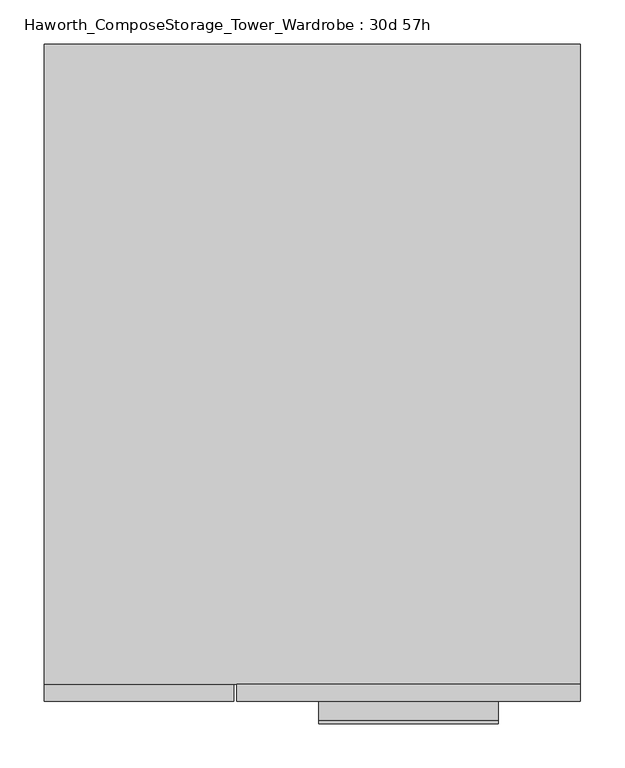
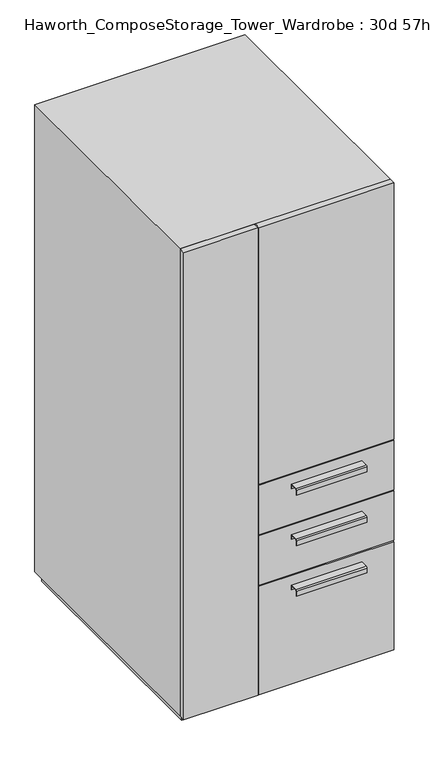
"""IFC4 building model written with IfcOpenShell, lengths in millimetres: furniture geometry, Haworth_ComposeStorage_Tower_Wardrobe : 30d 57h."""

from ifc_helpers import new_model, si_unit, point, frame, frame_2d, origin, origin_with_axes, place, context, project, spatial, polyline, circle_curve, trimmed, segment, composite_curve, outline, extrude, faceted_brep, source, transform, mapped, element, save


def haworth_composestorage_tower_wardrobe_30d_57h_c6e63538(model_context):
    return source(origin(), model_context, "Body", "SolidModel", [
        extrude(outline(composite_curve([segment(polyline([(-403.2250242, 633.9919215), (-381.0, 633.9919215), (-381.0, 620.5299525), (-381.7937742, 620.5299525), (-381.7937742, 633.1982199), (-403.2250242, 633.1982199)]), True, "CONTINUOUS"), segment(trimmed(circle_curve(frame_2d((-403.2250242, 630.8142808)), 2.3839392), [point((-403.2250242, 633.1982199))], [point((-405.6089634, 630.8142808))], True, "CARTESIAN"), True, "CONTINUOUS"), segment(polyline([(-405.6089634, 630.8142808), (-405.6089634, 616.2119021), (-406.3999758, 616.2119021), (-406.3999758, 630.8169699)]), True, "CONTINUOUS"), segment(trimmed(circle_curve(frame_2d((-403.2250242, 630.8169699)), 3.1749516), [point((-406.3999758, 630.8169699))], [point((-403.2250242, 633.9919215))], False, "CARTESIAN"), True, "CONTINUOUS")], self_intersect=False)), frame((7.1576406, 0.0, 0.0), z_axis=(1.0, 0.0, 0.0), x_axis=(0.0, 1.0, 0.0)), (0.0, 0.0, 1.0), 203.2),
        extrude(outline(polyline([(303.2263906, -361.95), (303.2263906, -381.0), (-85.7111094, -381.0), (-85.7111094, -361.95), (303.2263906, -361.95)])), frame((0.0, 0.0, 512.7625), z_axis=(0.0, 0.0, 1.0), x_axis=(1.0, 0.0, 0.0)), (0.0, 0.0, 1.0), 150.8125),
        extrude(outline(composite_curve([segment(polyline([(-403.2250242, 480.0044215), (-381.0, 480.0044215), (-381.0, 466.5424525), (-381.7937742, 466.5424525), (-381.7937742, 479.2107199), (-403.2250242, 479.2107199)]), True, "CONTINUOUS"), segment(trimmed(circle_curve(frame_2d((-403.2250242, 476.8267808)), 2.3839392), [point((-403.2250242, 479.2107199))], [point((-405.6089634, 476.8267808))], True, "CARTESIAN"), True, "CONTINUOUS"), segment(polyline([(-405.6089634, 476.8267808), (-405.6089634, 462.2244021), (-406.3999758, 462.2244021), (-406.3999758, 476.8294699)]), True, "CONTINUOUS"), segment(trimmed(circle_curve(frame_2d((-403.2250242, 476.8294699)), 3.1749516), [point((-406.3999758, 476.8294699))], [point((-403.2250242, 480.0044215))], False, "CARTESIAN"), True, "CONTINUOUS")], self_intersect=False)), frame((7.1576406, 0.0, 0.0), z_axis=(1.0, 0.0, 0.0), x_axis=(0.0, 1.0, 0.0)), (0.0, 0.0, 1.0), 203.2),
        extrude(outline(polyline([(303.2263906, -361.95), (303.2263906, -381.0), (-85.7111094, -381.0), (-85.7111094, -361.95), (303.2263906, -361.95)])), frame((0.0, 0.0, 358.775), z_axis=(0.0, 0.0, 1.0), x_axis=(1.0, 0.0, 0.0)), (0.0, 0.0, 1.0), 150.8125),
        extrude(outline(composite_curve([segment(polyline([(-403.2250242, 326.0169215), (-381.0, 326.0169215), (-381.0, 312.5549525), (-381.7937742, 312.5549525), (-381.7937742, 325.2232199), (-403.2250242, 325.2232199)]), True, "CONTINUOUS"), segment(trimmed(circle_curve(frame_2d((-403.2250242, 322.8392808)), 2.3839392), [point((-403.2250242, 325.2232199))], [point((-405.6089634, 322.8392808))], True, "CARTESIAN"), True, "CONTINUOUS"), segment(polyline([(-405.6089634, 322.8392808), (-405.6089634, 308.2369021), (-406.3999758, 308.2369021), (-406.3999758, 322.8419699)]), True, "CONTINUOUS"), segment(trimmed(circle_curve(frame_2d((-403.2250242, 322.8419699)), 3.1749516), [point((-406.3999758, 322.8419699))], [point((-403.2250242, 326.0169215))], False, "CARTESIAN"), True, "CONTINUOUS")], self_intersect=False)), frame((7.1576406, 0.0, 0.0), z_axis=(1.0, 0.0, 0.0), x_axis=(0.0, 1.0, 0.0)), (0.0, 0.0, 1.0), 203.2),
        extrude(outline(polyline([(303.2263906, -361.95), (303.2263906, -381.0), (-85.7111094, -381.0), (-85.7111094, -361.95), (303.2263906, -361.95)])), frame((0.0, 0.0, 25.4), z_axis=(0.0, 0.0, 1.0), x_axis=(1.0, 0.0, 0.0)), (0.0, 0.0, 1.0), 330.2),
        extrude(outline(polyline([(303.2263906, -361.95), (303.2263906, -381.0), (-85.7111094, -381.0), (-85.7111094, -361.95), (303.2263906, -361.95)])), frame((0.0, 0.0, 666.75), z_axis=(0.0, 0.0, 1.0), x_axis=(1.0, 0.0, 0.0)), (0.0, 0.0, 1.0), 781.05),
        faceted_brep([(-303.1986094, -361.95, 25.4), (303.2263906, -361.95, 25.4), (303.2263906, -361.95, 1447.8), (-303.1986094, -361.95, 1447.8), (-284.1486094, -361.95, 44.45), (-284.1486094, -361.95, 1428.75), (284.1694453, -361.95, 1428.75), (284.1694453, -361.95, 44.45), (-303.1986094, 361.95, 25.4), (-303.1986094, 361.95, 1447.8), (303.2263906, 361.95, 1447.8), (303.2263906, 361.95, 25.4), (-284.1486094, 342.9, 44.45), (-284.1486094, 342.9, 1428.75), (284.1694453, 342.9, 1428.75), (284.1694453, 342.9, 44.45)], [[[0, 1, 2, 3], [4, 5, 6, 7]], [[8, 9, 10, 11]], [[1, 0, 8, 11]], [[2, 1, 11, 10]], [[3, 2, 10, 9]], [[0, 3, 9, 8]], [[5, 4, 12, 13]], [[6, 5, 13, 14]], [[7, 6, 14, 15]], [[4, 7, 15, 12]], [[13, 12, 15, 14]]]),
        extrude(outline(polyline([(290.5263906, -349.25), (-290.4986094, -349.25), (-290.4986094, 349.25), (290.5263906, 349.25), (290.5263906, -349.25)])), origin_with_axes(), (0.0, 0.0, 1.0), 25.4),
        extrude(outline(polyline([(-303.1986094, -381.0), (-303.1986094, -361.95), (-88.8861094, -361.95), (-88.8861094, -381.0), (-303.1986094, -381.0)])), frame((0.0, 0.0, 25.4), z_axis=(0.0, 0.0, 1.0), x_axis=(1.0, 0.0, 0.0)), (0.0, 0.0, 1.0), 1422.4),
    ])


if __name__ == "__main__":
    model = new_model("IFC4")
    model_context = context("Model", 3, world=origin())
    ifc_project = project(units=[si_unit("LENGTHUNIT", "METRE", prefix="MILLI")], contexts=[model_context])
    site = spatial("IfcSite", under=ifc_project)
    building = spatial("IfcBuilding", under=site)
    placement = place(None, origin())
    haworth_composestorage_tower_wardrobe_30d_57h_shape = haworth_composestorage_tower_wardrobe_30d_57h_c6e63538(model_context)
    element("IfcFurniture", 1, ObjectType="Haworth_ComposeStorage_Tower_Wardrobe : 30d 57h", at=placement, inside=building, context=model_context, shape_type="MappedRepresentation", body=[
        mapped(haworth_composestorage_tower_wardrobe_30d_57h_shape, transform((0.0, 0.0, 0.0), x_axis=(1.0, 0.0, 0.0), y_axis=(0.0, 1.0, 0.0), z_axis=(0.0, 0.0, 1.0))),
    ])
    save(model, "model.ifc")
